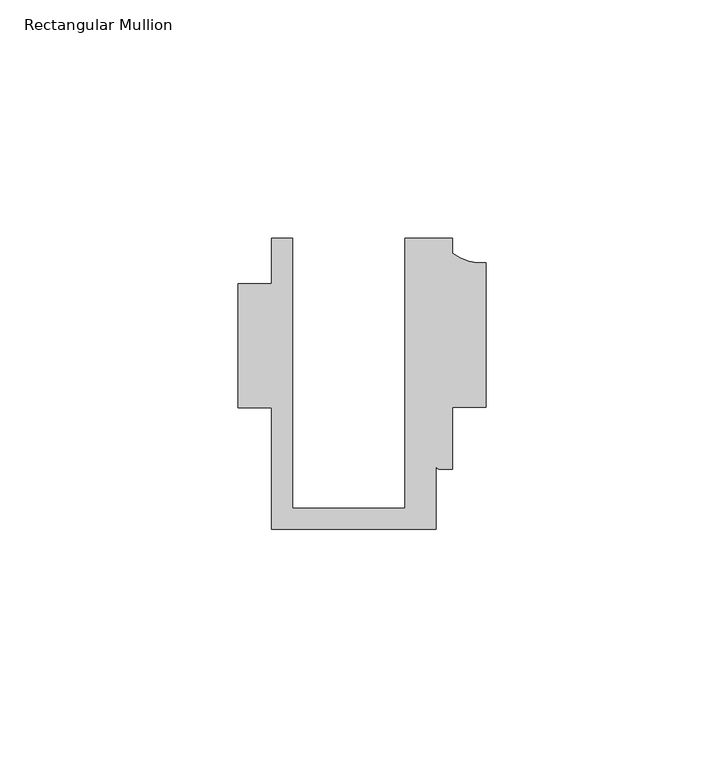
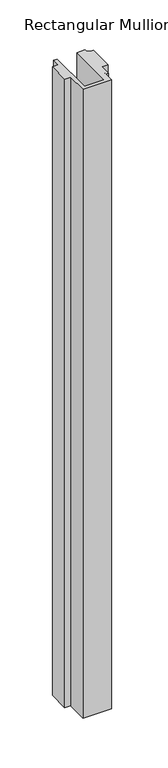
"""IFC4 building model written with IfcOpenShell, lengths in millimetres: member geometry, Rectangular Mullion."""

from ifc_helpers import new_model, si_unit, point, frame, frame_2d, origin, place, context, project, spatial, polyline, circle_curve, trimmed, segment, composite_curve, outline, extrude, source, transform, mapped, element, save


def rectangular_mullion_2c2eb028(model_context):
    return source(origin(), model_context, "Body", "SweptSolid", [
        extrude(outline(composite_curve([segment(polyline([(-23.5999572, 20.5), (-23.5999572, -36.1008577), (0.0, -36.1008577), (0.0, 20.5), (10.0000029, 20.5), (10.0000029, 17.3121423)]), True, "CONTINUOUS"), segment(trimmed(circle_curve(frame_2d((16.1098048, 25.7978024)), 10.4563907), [point((10.0000029, 17.3121423))], [point((16.999942, 15.3793686))], True, "CARTESIAN"), True, "CONTINUOUS"), segment(polyline([(16.999942, 15.3793686), (16.999942, -15.0004617), (10.0000029, -15.0004617), (10.0000029, -28.0002131), (7.5000029, -28.0002131)]), True, "CONTINUOUS"), segment(trimmed(circle_curve(frame_2d((7.5000029, -27.0002131)), 1.0), [point((7.5000029, -28.0002131))], [point((6.5000029, -27.0002131))], False, "CARTESIAN"), True, "CONTINUOUS"), segment(polyline([(6.5000029, -27.0002131), (6.5000029, -40.499932), (-28.0000482, -40.499932), (-28.0000482, -15.001276), (-34.9999873, -15.001276), (-34.9999873, 10.9795682), (-28.0000482, 10.9795682), (-28.0000482, 20.5), (-23.5999572, 20.5)]), True, "CONTINUOUS")], self_intersect=False)), frame((0.0, 0.0, -800.0), z_axis=(0.0, 0.0, 1.0), x_axis=(1.0, 0.0, 0.0)), (0.0, 0.0, 1.0), 800.0),
    ])


if __name__ == "__main__":
    model = new_model("IFC4")
    model_context = context("Model", 3, world=origin())
    ifc_project = project(units=[si_unit("LENGTHUNIT", "METRE", prefix="MILLI")], contexts=[model_context])
    site = spatial("IfcSite", under=ifc_project)
    building = spatial("IfcBuilding", under=site)
    placement = place(None, origin())
    rectangular_mullion_shape = rectangular_mullion_2c2eb028(model_context)
    element("IfcMember", 1, ObjectType="Rectangular Mullion", at=placement, inside=building, context=model_context, shape_type="MappedRepresentation", body=[
        mapped(rectangular_mullion_shape, transform((0.0, 0.0, 0.0), x_axis=(1.0, 0.0, 0.0), y_axis=(0.0, 1.0, 0.0), z_axis=(0.0, 0.0, 1.0))),
    ])
    save(model, "model.ifc")
